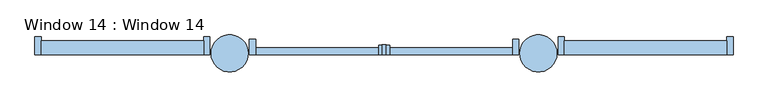
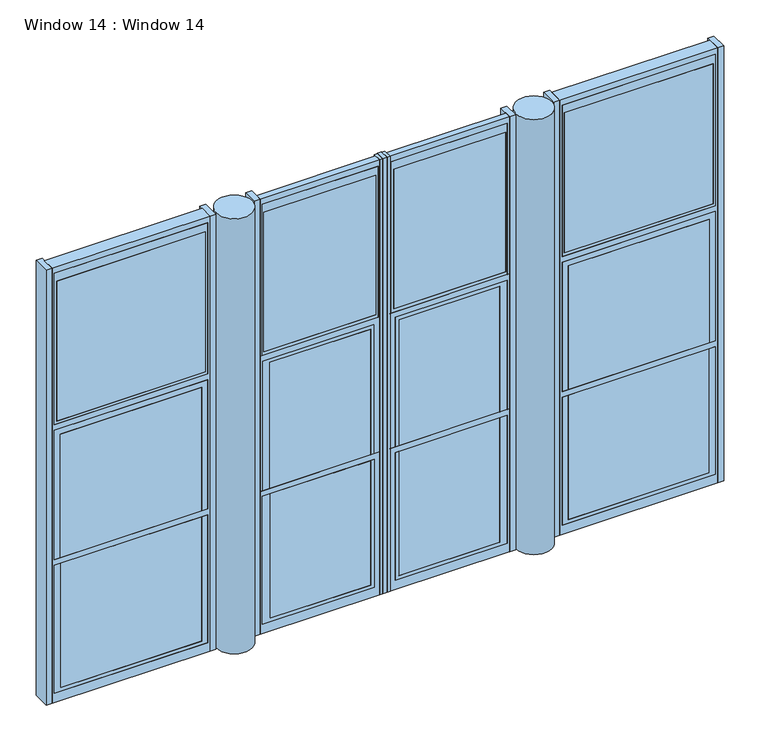
"""IFC4 building model written with IfcOpenShell, lengths in millimetres: window geometry, Window 14 : Window 14."""

from ifc_helpers import new_model, si_unit, point, frame, frame_2d, origin, place, context, project, spatial, polyline, circle_curve, trimmed, segment, composite_curve, outline, extrude, source, transform, mapped, element, save


def window_14_window_14_63958b16(model_context):
    return source(origin(), model_context, "Body", "SweptSolid", [
        extrude(outline(polyline([(914.4, 1478.5810891), (914.4, 2812.0810891), (4800.6, 2812.0810891), (4800.6, 1478.5810891), (914.4, 1478.5810891)]), holes=[polyline([(4749.8, 2793.0310891), (3397.25, 2793.0310891), (3397.25, 1497.6310891), (4749.8, 1497.6310891), (4749.8, 2793.0310891)]), polyline([(3346.45, 2793.0310891), (2190.75, 2793.0310891), (2190.75, 1497.6310891), (3346.45, 1497.6310891), (3346.45, 2793.0310891)]), polyline([(2139.95, 2793.0310891), (996.95, 2793.0310891), (996.95, 1497.6310891), (2139.95, 1497.6310891), (2139.95, 2793.0310891)])]), frame((0.0, -114.3, 0.0), z_axis=(0.0, 1.0, 0.0), x_axis=(0.0, 0.0, 1.0)), (0.0, 0.0, 1.0), 114.3),
        extrude(outline(polyline([(2862.834, 31.75), (2862.834, -114.3), (2812.0810891, -114.3), (2812.0810891, 31.75), (2862.834, 31.75)])), frame((0.0, 0.0, 914.4), z_axis=(0.0, 0.0, 1.0), x_axis=(1.0, 0.0, 0.0)), (0.0, 0.0, 1.0), 3886.2),
        extrude(outline(polyline([(1478.5810891, 31.75), (1478.5810891, -114.3), (1427.7810891, -114.3), (1427.7810891, 31.75), (1478.5810891, 31.75)])), frame((0.0, 0.0, 914.4), z_axis=(0.0, 0.0, 1.0), x_axis=(1.0, 0.0, 0.0)), (0.0, 0.0, 1.0), 3886.2),
        extrude(outline(composite_curve([segment(trimmed(circle_curve(frame_2d((1265.8560891, -102.4718198)), 152.15982), [point((1418.0159091, -102.4718198))], [point((1113.6962692, -102.4718198))], False, "CARTESIAN"), True, "CONTINUOUS"), segment(trimmed(circle_curve(frame_2d((1265.8560891, -102.4718198)), 152.15982), [point((1113.6962692, -102.4718198))], [point((1418.0159091, -102.4718198))], False, "CARTESIAN"), True, "CONTINUOUS")], self_intersect=False)), frame((0.0, 0.0, 914.4), z_axis=(0.0, 0.0, 1.0), x_axis=(1.0, 0.0, 0.0)), (0.0, 0.0, 1.0), 3886.2),
        extrude(outline(composite_curve([segment(trimmed(circle_curve(frame_2d((-1265.8560891, -102.4718198)), 152.15982), [point((-1418.0159091, -102.4718198))], [point((-1113.6962692, -102.4718198))], False, "CARTESIAN"), True, "CONTINUOUS"), segment(trimmed(circle_curve(frame_2d((-1265.8560891, -102.4718198)), 152.15982), [point((-1113.6962692, -102.4718198))], [point((-1418.0159091, -102.4718198))], False, "CARTESIAN"), True, "CONTINUOUS")], self_intersect=False)), frame((0.0, 0.0, 914.4), z_axis=(0.0, 0.0, 1.0), x_axis=(1.0, 0.0, 0.0)), (0.0, 0.0, 1.0), 3886.2),
        extrude(outline(polyline([(914.4, -1478.5810891), (4800.6, -1478.5810891), (4800.6, -2812.0810891), (914.4, -2812.0810891), (914.4, -1478.5810891)]), holes=[polyline([(3346.45, -2793.0310891), (3346.45, -1497.6310891), (2190.75, -1497.6310891), (2190.75, -2793.0310891), (3346.45, -2793.0310891)]), polyline([(2139.95, -2793.0310891), (2139.95, -1497.6310891), (996.95, -1497.6310891), (996.95, -2793.0310891), (2139.95, -2793.0310891)]), polyline([(4749.8, -2793.0310891), (4749.8, -1497.6310891), (3397.25, -1497.6310891), (3397.25, -2793.0310891), (4749.8, -2793.0310891)])]), frame((0.0, -114.3, 0.0), z_axis=(0.0, 1.0, 0.0), x_axis=(0.0, 0.0, 1.0)), (0.0, 0.0, 1.0), 114.3),
        extrude(outline(polyline([(-18.0810891, -37.7529721), (-18.0810891, -114.3), (-43.4810891, -114.3), (-43.4810891, -37.7529721), (-18.0810891, -37.7529721)])), frame((0.0, 0.0, 914.4), z_axis=(0.0, 0.0, 1.0), x_axis=(1.0, 0.0, 0.0)), (0.0, 0.0, 1.0), 3886.2),
        extrude(outline(polyline([(45.4189109, -37.7529721), (45.4189109, -114.3), (20.0189109, -114.3), (20.0189109, -37.7529721), (45.4189109, -37.7529721)])), frame((0.0, 0.0, 914.4), z_axis=(0.0, 0.0, 1.0), x_axis=(1.0, 0.0, 0.0)), (0.0, 0.0, 1.0), 3886.2),
        extrude(outline(polyline([(20.0189109, -31.4029721), (20.0189109, -114.3), (-18.0810891, -114.3), (-18.0810891, -31.4029721), (20.0189109, -31.4029721)])), frame((0.0, 0.0, 914.4), z_axis=(0.0, 0.0, 1.0), x_axis=(1.0, 0.0, 0.0)), (0.0, 0.0, 1.0), 3886.2),
        extrude(outline(polyline([(-1053.1310891, 12.7), (-1053.1310891, -114.3), (-1103.9310891, -114.3), (-1103.9310891, 12.7), (-1053.1310891, 12.7)])), frame((0.0, 0.0, 914.4), z_axis=(0.0, 0.0, 1.0), x_axis=(1.0, 0.0, 0.0)), (0.0, 0.0, 1.0), 3886.2),
        extrude(outline(polyline([(1105.8689109, 12.7), (1105.8689109, -114.3), (1055.0689109, -114.3), (1055.0689109, 12.7), (1105.8689109, 12.7)])), frame((0.0, 0.0, 914.4), z_axis=(0.0, 0.0, 1.0), x_axis=(1.0, 0.0, 0.0)), (0.0, 0.0, 1.0), 3886.2),
        extrude(outline(polyline([(-2812.0810891, 31.75), (-2812.0810891, -114.3), (-2862.834, -114.3), (-2862.834, 31.75), (-2812.0810891, 31.75)])), frame((0.0, 0.0, 914.4), z_axis=(0.0, 0.0, 1.0), x_axis=(1.0, 0.0, 0.0)), (0.0, 0.0, 1.0), 3886.2),
        extrude(outline(polyline([(-1427.7810891, 31.75), (-1427.7810891, -114.3), (-1478.5810891, -114.3), (-1478.5810891, 31.75), (-1427.7810891, 31.75)])), frame((0.0, 0.0, 914.4), z_axis=(0.0, 0.0, 1.0), x_axis=(1.0, 0.0, 0.0)), (0.0, 0.0, 1.0), 3886.2),
        extrude(outline(polyline([(2139.95, 2742.2310891), (1028.7, 2742.2310891), (1028.7, 1548.4310891), (2139.95, 1548.4310891), (2139.95, 1497.6310891), (996.95, 1497.6310891), (996.95, 2793.0310891), (2139.95, 2793.0310891), (2139.95, 2742.2310891)])), frame((0.0, -114.3, 0.0), z_axis=(0.0, 1.0, 0.0), x_axis=(0.0, 0.0, 1.0)), (0.0, 0.0, 1.0), 76.2),
        extrude(outline(polyline([(2139.95, 970.5441591), (1028.7, 970.5441591), (1028.7, 119.7180192), (2139.95, 119.7180192), (2139.95, 87.9310891), (996.95, 87.9310891), (996.95, 1034.0810891), (2139.95, 1034.0810891), (2139.95, 970.5441591)])), frame((0.0, -114.3, 0.0), z_axis=(0.0, 1.0, 0.0), x_axis=(0.0, 0.0, 1.0)), (0.0, 0.0, 1.0), 57.15),
        extrude(outline(polyline([(2190.75, 1053.1310891), (2190.75, 43.4810891), (914.4, 43.4810891), (914.4, 1053.1310891), (2190.75, 1053.1310891)]), holes=[polyline([(996.95, 87.9310891), (2139.95, 87.9310891), (2139.95, 1034.0810891), (996.95, 1034.0810891), (996.95, 87.9310891)])]), frame((0.0, -114.3, 0.0), z_axis=(0.0, 1.0, 0.0), x_axis=(0.0, 0.0, 1.0)), (0.0, 0.0, 1.0), 57.15),
        extrude(outline(polyline([(2139.95, -970.5441591), (2139.95, -1034.0810891), (996.95, -1034.0810891), (996.95, -87.9310891), (2139.95, -87.9310891), (2139.95, -119.7180192), (1028.7, -119.7180192), (1028.7, -970.5441591), (2139.95, -970.5441591)])), frame((0.0, -114.3, 0.0), z_axis=(0.0, 1.0, 0.0), x_axis=(0.0, 0.0, 1.0)), (0.0, 0.0, 1.0), 57.15),
        extrude(outline(polyline([(2139.95, -2742.2310891), (2139.95, -2793.0310891), (996.95, -2793.0310891), (996.95, -1497.6310891), (2139.95, -1497.6310891), (2139.95, -1548.4310891), (1028.7, -1548.4310891), (1028.7, -2742.2310891), (2139.95, -2742.2310891)])), frame((0.0, -114.3, 0.0), z_axis=(0.0, 1.0, 0.0), x_axis=(0.0, 0.0, 1.0)), (0.0, 0.0, 1.0), 76.2),
        extrude(outline(polyline([(2190.75, -1053.1310891), (914.4, -1053.1310891), (914.4, -43.4810891), (2190.75, -43.4810891), (2190.75, -1053.1310891)]), holes=[polyline([(996.95, -87.9310891), (996.95, -1034.0810891), (2139.95, -1034.0810891), (2139.95, -87.9310891), (996.95, -87.9310891)])]), frame((0.0, -114.3, 0.0), z_axis=(0.0, 1.0, 0.0), x_axis=(0.0, 0.0, 1.0)), (0.0, 0.0, 1.0), 57.15),
        extrude(outline(polyline([(2742.2310891, -88.9), (2742.2310891, -114.3), (1548.4310891, -114.3), (1548.4310891, -88.9), (2742.2310891, -88.9)])), frame((0.0, 0.0, 2190.75), z_axis=(0.0, 0.0, 1.0), x_axis=(1.0, 0.0, 0.0)), (0.0, 0.0, 1.0), 1104.9),
        extrude(outline(polyline([(2742.2310891, -88.9), (2742.2310891, -114.3), (1548.4310891, -114.3), (1548.4310891, -88.9), (2742.2310891, -88.9)])), frame((0.0, 0.0, 1028.7), z_axis=(0.0, 0.0, 1.0), x_axis=(1.0, 0.0, 0.0)), (0.0, 0.0, 1.0), 1111.25),
        extrude(outline(polyline([(3346.45, 1497.6310891), (2190.75, 1497.6310891), (2190.75, 1548.4310891), (3295.65, 1548.4310891), (3295.65, 2742.2310891), (2190.75, 2742.2310891), (2190.75, 2793.0310891), (3346.45, 2793.0310891), (3346.45, 1497.6310891)])), frame((0.0, -114.3, 0.0), z_axis=(0.0, 1.0, 0.0), x_axis=(0.0, 0.0, 1.0)), (0.0, 0.0, 1.0), 76.2),
        extrude(outline(polyline([(3346.45, 87.9310891), (2190.75, 87.9310891), (2190.75, 119.7180192), (3314.7, 119.7180192), (3314.7, 970.5441591), (2190.75, 970.5441591), (2190.75, 1034.0810891), (3346.45, 1034.0810891), (3346.45, 87.9310891)])), frame((0.0, -114.3, 0.0), z_axis=(0.0, 1.0, 0.0), x_axis=(0.0, 0.0, 1.0)), (0.0, 0.0, 1.0), 38.4470279),
        extrude(outline(polyline([(3397.25, 43.4810891), (2190.75, 43.4810891), (2190.75, 87.9310891), (3346.45, 87.9310891), (3346.45, 1034.0810891), (2190.75, 1034.0810891), (2190.75, 1053.1310891), (3397.25, 1053.1310891), (3397.25, 43.4810891)])), frame((0.0, -114.3, 0.0), z_axis=(0.0, 1.0, 0.0), x_axis=(0.0, 0.0, 1.0)), (0.0, 0.0, 1.0), 57.15),
        extrude(outline(polyline([(970.5441591, -88.9), (970.5441591, -114.3), (119.7180192, -114.3), (119.7180192, -88.9), (970.5441591, -88.9)])), frame((0.0, 0.0, 2190.75), z_axis=(0.0, 0.0, 1.0), x_axis=(1.0, 0.0, 0.0)), (0.0, 0.0, 1.0), 1123.95),
        extrude(outline(polyline([(970.5441591, -88.9), (970.5441591, -114.3), (119.7180192, -114.3), (119.7180192, -88.9), (970.5441591, -88.9)])), frame((0.0, 0.0, 1028.7), z_axis=(0.0, 0.0, 1.0), x_axis=(1.0, 0.0, 0.0)), (0.0, 0.0, 1.0), 1111.25),
        extrude(outline(polyline([(3397.25, -43.4810891), (3397.25, -1053.1310891), (2190.75, -1053.1310891), (2190.75, -1034.0810891), (3346.45, -1034.0810891), (3346.45, -87.9310891), (2190.75, -87.9310891), (2190.75, -43.4810891), (3397.25, -43.4810891)])), frame((0.0, -114.3, 0.0), z_axis=(0.0, 1.0, 0.0), x_axis=(0.0, 0.0, 1.0)), (0.0, 0.0, 1.0), 57.15),
        extrude(outline(polyline([(-119.7180192, -88.9), (-119.7180192, -114.3), (-970.5441591, -114.3), (-970.5441591, -88.9), (-119.7180192, -88.9)])), frame((0.0, 0.0, 2190.75), z_axis=(0.0, 0.0, 1.0), x_axis=(1.0, 0.0, 0.0)), (0.0, 0.0, 1.0), 1123.95),
        extrude(outline(polyline([(-119.7180192, -88.9), (-119.7180192, -114.3), (-970.5441591, -114.3), (-970.5441591, -88.9), (-119.7180192, -88.9)])), frame((0.0, 0.0, 1028.7), z_axis=(0.0, 0.0, 1.0), x_axis=(1.0, 0.0, 0.0)), (0.0, 0.0, 1.0), 1111.25),
        extrude(outline(polyline([(-1548.4310891, -88.9), (-1548.4310891, -114.3), (-2742.2310891, -114.3), (-2742.2310891, -88.9), (-1548.4310891, -88.9)])), frame((0.0, 0.0, 2190.75), z_axis=(0.0, 0.0, 1.0), x_axis=(1.0, 0.0, 0.0)), (0.0, 0.0, 1.0), 1104.9),
        extrude(outline(polyline([(-1548.4310891, -88.9), (-1548.4310891, -114.3), (-2742.2310891, -114.3), (-2742.2310891, -88.9), (-1548.4310891, -88.9)])), frame((0.0, 0.0, 1028.7), z_axis=(0.0, 0.0, 1.0), x_axis=(1.0, 0.0, 0.0)), (0.0, 0.0, 1.0), 1111.25),
        extrude(outline(polyline([(3346.45, -1497.6310891), (3346.45, -2793.0310891), (2190.75, -2793.0310891), (2190.75, -2742.2310891), (3295.65, -2742.2310891), (3295.65, -1548.4310891), (2190.75, -1548.4310891), (2190.75, -1497.6310891), (3346.45, -1497.6310891)])), frame((0.0, -114.3, 0.0), z_axis=(0.0, 1.0, 0.0), x_axis=(0.0, 0.0, 1.0)), (0.0, 0.0, 1.0), 76.2),
        extrude(outline(polyline([(3346.45, -87.9310891), (3346.45, -1034.0810891), (2190.75, -1034.0810891), (2190.75, -970.5441591), (3314.7, -970.5441591), (3314.7, -119.7180192), (2190.75, -119.7180192), (2190.75, -87.9310891), (3346.45, -87.9310891)])), frame((0.0, -114.3, 0.0), z_axis=(0.0, 1.0, 0.0), x_axis=(0.0, 0.0, 1.0)), (0.0, 0.0, 1.0), 38.4470279),
        extrude(outline(polyline([(2773.9810891, -88.9), (2773.9810891, -114.3), (1516.6810891, -114.3), (1516.6810891, -88.9), (2773.9810891, -88.9)])), frame((0.0, 0.0, 3422.65), z_axis=(0.0, 0.0, 1.0), x_axis=(1.0, 0.0, 0.0)), (0.0, 0.0, 1.0), 1250.95),
        extrude(outline(polyline([(4749.8, 1497.6310891), (3397.25, 1497.6310891), (3397.25, 2793.0310891), (4749.8, 2793.0310891), (4749.8, 1497.6310891)]), holes=[polyline([(3422.65, 1516.6810891), (4673.6, 1516.6810891), (4673.6, 2773.9810891), (3422.65, 2773.9810891), (3422.65, 1516.6810891)])]), frame((0.0, -114.3, 0.0), z_axis=(0.0, 1.0, 0.0), x_axis=(0.0, 0.0, 1.0)), (0.0, 0.0, 1.0), 114.3),
        extrude(outline(polyline([(1021.3810891, -88.9), (1021.3810891, -114.3), (75.2310891, -114.3), (75.2310891, -88.9), (1021.3810891, -88.9)])), frame((0.0, 0.0, 3429.0), z_axis=(0.0, 0.0, 1.0), x_axis=(1.0, 0.0, 0.0)), (0.0, 0.0, 1.0), 1244.6),
        extrude(outline(polyline([(4749.8, 56.1810891), (3397.25, 56.1810891), (3397.25, 1034.0810891), (4749.8, 1034.0810891), (4749.8, 56.1810891)]), holes=[polyline([(4673.6, 75.2310891), (4673.6, 1021.3810891), (3429.0, 1021.3810891), (3429.0, 75.2310891), (4673.6, 75.2310891)])]), frame((0.0, -114.3, 0.0), z_axis=(0.0, 1.0, 0.0), x_axis=(0.0, 0.0, 1.0)), (0.0, 0.0, 1.0), 57.15),
        extrude(outline(polyline([(4800.6, 43.4810891), (3397.25, 43.4810891), (3397.25, 56.1810891), (4749.8, 56.1810891), (4749.8, 1034.0810891), (3397.25, 1034.0810891), (3397.25, 1053.1310891), (4800.6, 1053.1310891), (4800.6, 43.4810891)])), frame((0.0, -114.3, 0.0), z_axis=(0.0, 1.0, 0.0), x_axis=(0.0, 0.0, 1.0)), (0.0, 0.0, 1.0), 57.15),
        extrude(outline(polyline([(-1516.6810891, -88.9), (-1516.6810891, -114.3), (-2773.9810891, -114.3), (-2773.9810891, -88.9), (-1516.6810891, -88.9)])), frame((0.0, 0.0, 3422.65), z_axis=(0.0, 0.0, 1.0), x_axis=(1.0, 0.0, 0.0)), (0.0, 0.0, 1.0), 1250.95),
        extrude(outline(polyline([(4749.8, -1497.6310891), (4749.8, -2793.0310891), (3397.25, -2793.0310891), (3397.25, -1497.6310891), (4749.8, -1497.6310891)]), holes=[polyline([(3422.65, -1516.6810891), (3422.65, -2773.9810891), (4673.6, -2773.9810891), (4673.6, -1516.6810891), (3422.65, -1516.6810891)])]), frame((0.0, -114.3, 0.0), z_axis=(0.0, 1.0, 0.0), x_axis=(0.0, 0.0, 1.0)), (0.0, 0.0, 1.0), 114.3),
        extrude(outline(polyline([(-75.2310891, -88.9), (-75.2310891, -114.3), (-1021.3810891, -114.3), (-1021.3810891, -88.9), (-75.2310891, -88.9)])), frame((0.0, 0.0, 3429.0), z_axis=(0.0, 0.0, 1.0), x_axis=(1.0, 0.0, 0.0)), (0.0, 0.0, 1.0), 1244.6),
        extrude(outline(polyline([(4749.8, -56.1810891), (4749.8, -1034.0810891), (3397.25, -1034.0810891), (3397.25, -56.1810891), (4749.8, -56.1810891)]), holes=[polyline([(4673.6, -75.2310891), (3429.0, -75.2310891), (3429.0, -1021.3810891), (4673.6, -1021.3810891), (4673.6, -75.2310891)])]), frame((0.0, -114.3, 0.0), z_axis=(0.0, 1.0, 0.0), x_axis=(0.0, 0.0, 1.0)), (0.0, 0.0, 1.0), 57.15),
        extrude(outline(polyline([(4800.6, -43.4810891), (4800.6, -1053.1310891), (3397.25, -1053.1310891), (3397.25, -1034.0810891), (4749.8, -1034.0810891), (4749.8, -56.1810891), (3397.25, -56.1810891), (3397.25, -43.4810891), (4800.6, -43.4810891)])), frame((0.0, -114.3, 0.0), z_axis=(0.0, 1.0, 0.0), x_axis=(0.0, 0.0, 1.0)), (0.0, 0.0, 1.0), 57.15),
    ])


if __name__ == "__main__":
    model = new_model("IFC4")
    model_context = context("Model", 3, world=origin())
    ifc_project = project(units=[si_unit("LENGTHUNIT", "METRE", prefix="MILLI")], contexts=[model_context])
    site = spatial("IfcSite", under=ifc_project)
    building = spatial("IfcBuilding", under=site)
    placement = place(None, origin())
    window_14_window_14_shape = window_14_window_14_63958b16(model_context)
    element("IfcWindow", 1, ObjectType="Window 14 : Window 14", at=placement, inside=building, context=model_context, shape_type="MappedRepresentation", body=[
        mapped(window_14_window_14_shape, transform((0.0, 0.0, 0.0), x_axis=(1.0, 0.0, 0.0), y_axis=(0.0, 1.0, 0.0), z_axis=(0.0, 0.0, 1.0))),
    ])
    save(model, "model.ifc")
